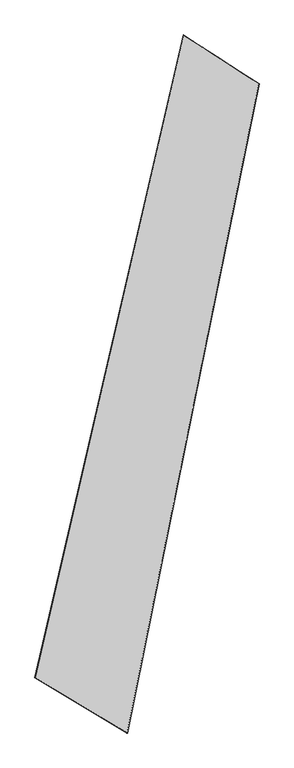
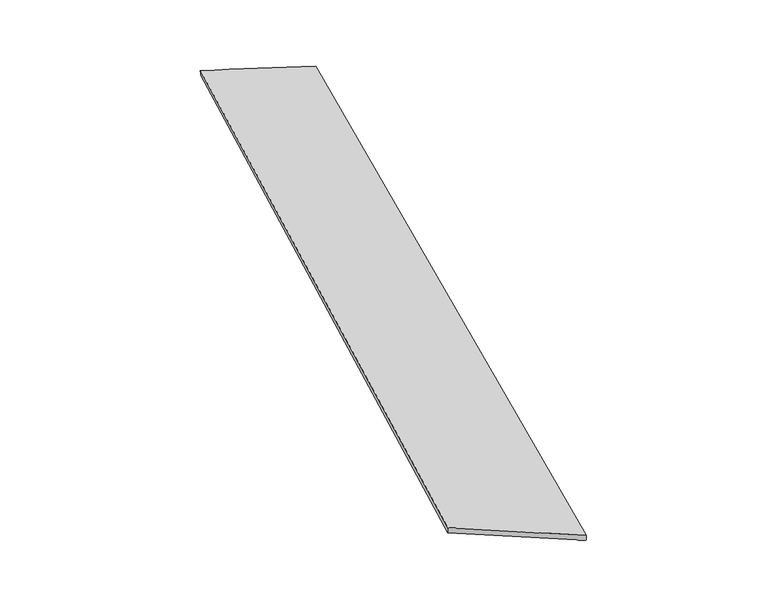
"""IFC4 building model written with IfcOpenShell, lengths in millimetres: proxy geometry."""

from ifc_helpers import new_model, si_unit, origin, place, context, project, spatial, source, transform, mapped, element, save
from ifc_brep_helpers import spline_surface, advanced_brep


def generic_models_18210626(model_context):
    return source(origin(), model_context, "Body", "AdvancedBrep", [
        advanced_brep(
        [(-694.5605057, -1759.553281, 19.8743777), (-693.1412924, -1759.5719448, 49.8407837), (287.801633, 2484.4677625, 5.8358106), (289.6753915, 2483.7229702, -24.0963512), (-82.0654494, -2126.2100911, 9.93219), (785.8408623, 2161.6502617, 54.0451229), (-84.0987653, -2125.4874357, -19.9900993), (788.9838795, 2161.3177464, 24.2120728)],
        [
            (0, 1),
            (1, 2),
            (2, 3),
            (3, 0),
            (1, 4),
            (4, 5),
            (5, 2),
            (4, 6),
            (6, 7),
            (7, 5),
            (6, 0),
            (3, 7),
        ],
        [
            spline_surface(1, 1, [[(-694.5605057, -1759.553281, 19.8743777), (289.6753915, 2483.7229702, -24.0963512)], [(-693.1412924, -1759.5719448, 49.8407837), (287.801633, 2484.4677625, 5.8358106)]], [2, 2], [2, 2], [0.0, 1.0], [0.0, 1.0]),
            spline_surface(1, 1, [[(-693.1412924, -1759.5719448, 49.8407837), (287.801633, 2484.4677625, 5.8358106)], [(-82.0654494, -2126.2100911, 9.93219), (785.8408623, 2161.6502617, 54.0451229)]], [2, 2], [2, 2], [0.0, 1.0], [0.0, 1.0]),
            spline_surface(1, 1, [[(-82.0654494, -2126.2100911, 9.93219), (785.8408623, 2161.6502617, 54.0451229)], [(-84.0987653, -2125.4874357, -19.9900993), (788.9838795, 2161.3177464, 24.2120728)]], [2, 2], [2, 2], [0.0, 1.0], [0.0, 1.0]),
            spline_surface(1, 1, [[(-84.0987653, -2125.4874357, -19.9900993), (788.9838795, 2161.3177464, 24.2120728)], [(-694.5605057, -1759.553281, 19.8743777), (289.6753915, 2483.7229702, -24.0963512)]], [2, 2], [2, 2], [0.0, 1.0], [0.0, 1.0]),
            spline_surface(1, 1, [[(287.801633, 2484.4677625, 5.8358106), (289.6753915, 2483.7229702, -24.0963512)], [(785.8408623, 2161.6502617, 54.0451229), (788.9838795, 2161.3177464, 24.2120728)]], [2, 2], [2, 2], [0.0, 1.0], [0.0, 1.0]),
            spline_surface(1, 1, [[(-84.0987653, -2125.4874357, -19.9900993), (-694.5605057, -1759.553281, 19.8743777)], [(-82.0654494, -2126.2100911, 9.93219), (-693.1412924, -1759.5719448, 49.8407837)]], [2, 2], [2, 2], [0.0, 1.0], [0.0, 1.0]),
        ],
        [
            (0, [[1, 2, 3, 4]]),
            (1, [[5, 6, 7, -2]]),
            (2, [[8, 9, 10, -6]]),
            (3, [[11, -4, 12, -9]]),
            (4, [[-3, -7, -10, -12]]),
            (5, [[-11, -8, -5, -1]]),
        ],
    ),
    ])


if __name__ == "__main__":
    model = new_model("IFC4")
    model_context = context("Model", 3, world=origin())
    ifc_project = project(units=[si_unit("LENGTHUNIT", "METRE", prefix="MILLI")], contexts=[model_context])
    site = spatial("IfcSite", under=ifc_project)
    building = spatial("IfcBuilding", under=site)
    placement = place(None, origin())
    generic_models_shape = generic_models_18210626(model_context)
    element("IfcBuildingElementProxy", 1, Name="Generic Models", at=placement, inside=building, context=model_context, shape_type="MappedRepresentation", body=[
        mapped(generic_models_shape, transform((0.0, 0.0, 0.0), x_axis=(1.0, 0.0, 0.0), y_axis=(0.0, 1.0, 0.0), z_axis=(0.0, 0.0, 1.0))),
    ])
    save(model, "model.ifc")
